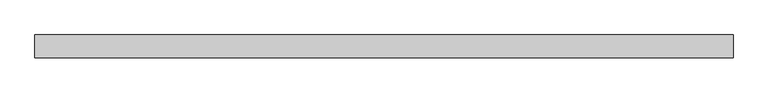
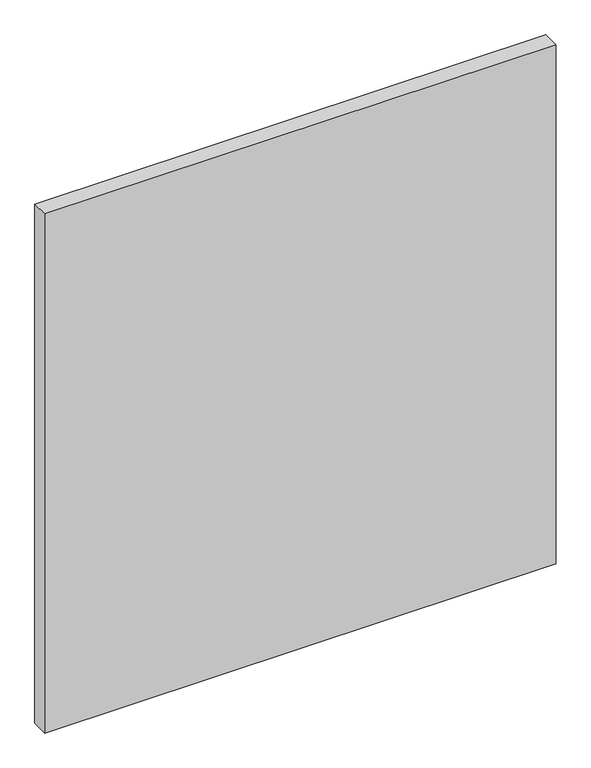
"""IFC4 building model written with IfcOpenShell, lengths in millimetres: plate geometry."""

from ifc_helpers import new_model, si_unit, origin, origin_with_axes, place, context, project, spatial, polyline, outline, extrude, source, transform, mapped, element, save


def plate_f3fd73f1(model_context):
    return source(origin(), model_context, "Body", "SweptSolid", [
        extrude(outline(polyline([(532.9791667, -17.5), (-532.9791667, -17.5), (-532.9791667, 17.5), (532.9791667, 17.5), (532.9791667, -17.5)])), origin_with_axes(), (0.0, 0.0, 1.0), 1143.8125),
    ])


if __name__ == "__main__":
    model = new_model("IFC4")
    model_context = context("Model", 3, world=origin())
    ifc_project = project(units=[si_unit("LENGTHUNIT", "METRE", prefix="MILLI")], contexts=[model_context])
    site = spatial("IfcSite", under=ifc_project)
    building = spatial("IfcBuilding", under=site)
    placement = place(None, origin())
    plate_shape = plate_f3fd73f1(model_context)
    element("IfcPlate", 1, at=placement, inside=building, context=model_context, shape_type="MappedRepresentation", body=[
        mapped(plate_shape, transform((0.0, 0.0, 0.0), x_axis=(1.0, 0.0, 0.0), y_axis=(0.0, 1.0, 0.0), z_axis=(0.0, 0.0, 1.0))),
    ])
    save(model, "model.ifc")
